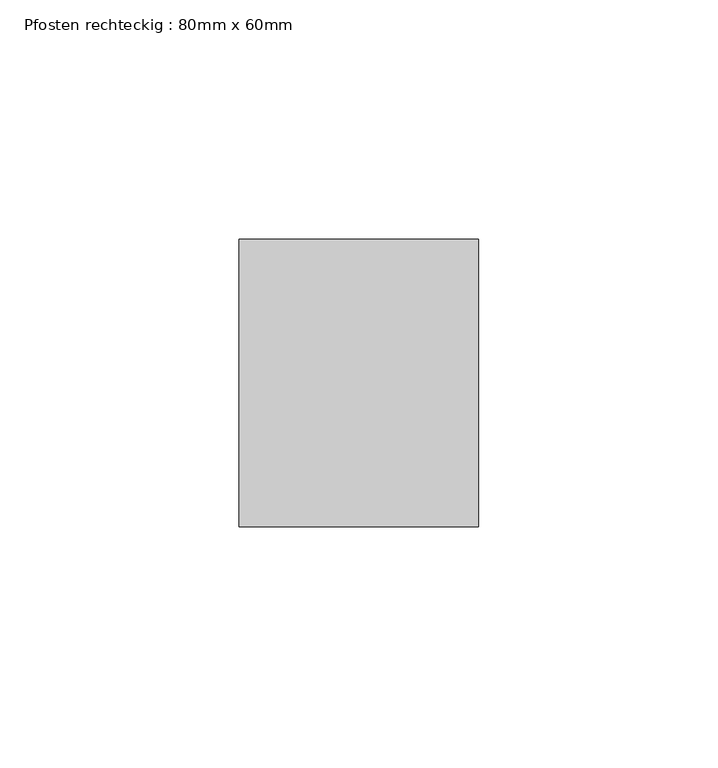
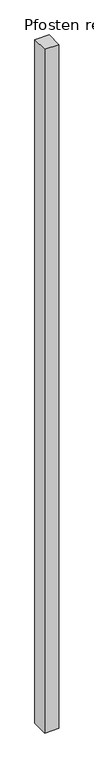
"""IFC4 building model written with IfcOpenShell, lengths in millimetres: member geometry, Pfosten rechteckig : 80mm x 60mm."""

from ifc_helpers import new_model, si_unit, frame, origin, place, context, project, spatial, polyline, outline, extrude, source, transform, mapped, element, save


def pfosten_rechteckig_80mm_x_60mm_1c2244f8(model_context):
    return source(origin(), model_context, "Body", "SweptSolid", [
        extrude(outline(polyline([(25.0, 30.0), (25.0, -30.0), (-25.0, -30.0), (-25.0, 30.0), (25.0, 30.0)])), frame((0.0, 0.0, -2550.0), z_axis=(0.0, 0.0, 1.0), x_axis=(1.0, 0.0, 0.0)), (0.0, 0.0, 1.0), 2550.0),
    ])


if __name__ == "__main__":
    model = new_model("IFC4")
    model_context = context("Model", 3, world=origin())
    ifc_project = project(units=[si_unit("LENGTHUNIT", "METRE", prefix="MILLI")], contexts=[model_context])
    site = spatial("IfcSite", under=ifc_project)
    building = spatial("IfcBuilding", under=site)
    placement = place(None, origin())
    pfosten_rechteckig_80mm_x_60mm_shape = pfosten_rechteckig_80mm_x_60mm_1c2244f8(model_context)
    element("IfcMember", 1, ObjectType="Pfosten rechteckig : 80mm x 60mm", at=placement, inside=building, context=model_context, shape_type="MappedRepresentation", body=[
        mapped(pfosten_rechteckig_80mm_x_60mm_shape, transform((0.0, 0.0, 0.0), x_axis=(1.0, 0.0, 0.0), y_axis=(0.0, 1.0, 0.0), z_axis=(0.0, 0.0, 1.0))),
    ])
    save(model, "model.ifc")
